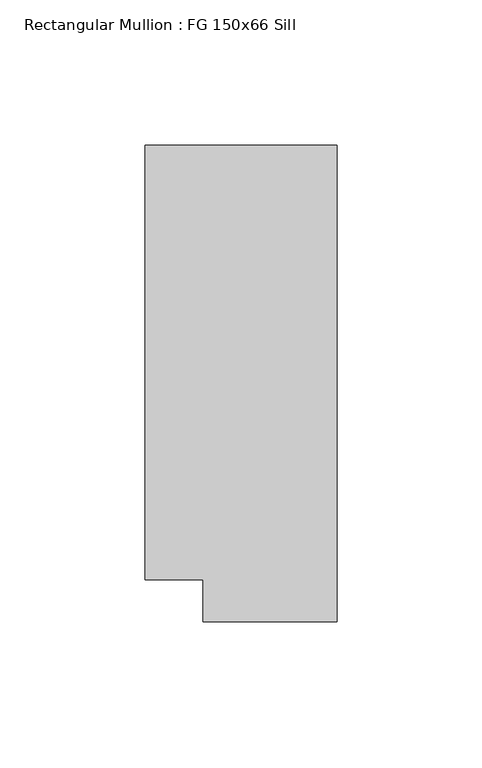
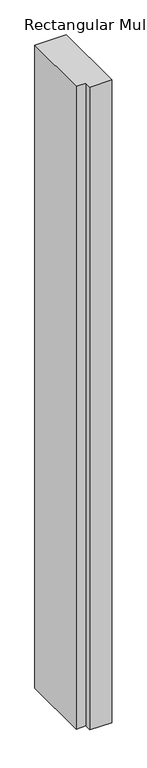
"""IFC4 building model written with IfcOpenShell, lengths in millimetres: member geometry, Rectangular Mullion : FG 150x66 Sill."""

import ifcopenshell
import ifcopenshell.guid

model = None  # the IFC model being written
_history = None  # IfcOwnerHistory: only IFC2X3 demands one
_inside = {}  # id of a spatial element -> (the spatial element, [elements in it])
_under = {}  # id of a project, library or spatial element -> (it, [spatial elements below it])
_declared = {}  # id of a project -> (the project, [libraries it declares])
_typed = {}  # id of a type object -> (the type object, [elements of that type])
_made_of = {}  # id of a material, layer set ... -> (it, [elements and type objects made of it])


def new_model(schema):
    """Start an empty IFC model of exactly this schema.

    Asked for "IFC4X3", IfcOpenShell would pick the latest addendum, in which some entities
    have other attributes; the version numbers below select the first issue.
    IFC2X3 requires an IfcOwnerHistory on every rooted entity: one is made here for all.
    """
    global model, _history
    if schema == "IFC4X3":
        model = ifcopenshell.file(schema_version=(4, 3, 0, 0))
    else:
        model = ifcopenshell.file(schema=schema)
    _inside.clear()
    _under.clear()
    _declared.clear()
    _typed.clear()
    _made_of.clear()
    _history = None
    if model.schema == "IFC2X3":
        org = make("IfcOrganization", Name="unknown")
        user = make(
            "IfcPersonAndOrganization",
            ThePerson=make("IfcPerson", FamilyName="unknown"),
            TheOrganization=org,
        )
        app = make(
            "IfcApplication",
            ApplicationDeveloper=org,
            Version="unknown",
            ApplicationFullName="unknown",
            ApplicationIdentifier="unknown",
        )
        _history = make(
            "IfcOwnerHistory",
            OwningUser=user,
            OwningApplication=app,
            ChangeAction="ADDED",
            CreationDate=0,
        )
    return model


def make(cls, **values):
    """One entity of the class cls with the attributes given. An attribute that is None is left unset."""
    return model.create_entity(
        cls, **{name: value for name, value in values.items() if value is not None}
    )


def rooted(cls, **values):
    """An entity with a GlobalId (a new one), such as an element, a storey or a relation."""
    return make(cls, GlobalId=ifcopenshell.guid.new(), OwnerHistory=_history, **values)


def si_unit(unit_type, name, prefix=None):
    """IfcSIUnit, for example si_unit("LENGTHUNIT", "METRE", prefix="MILLI")."""
    return make("IfcSIUnit", UnitType=unit_type, Prefix=prefix, Name=name)


def assignment(units):
    """IfcUnitAssignment: the units of a project."""
    return None if units is None else make("IfcUnitAssignment", Units=units)


def point(xyz):
    """IfcCartesianPoint."""
    return None if xyz is None else make("IfcCartesianPoint", Coordinates=xyz)


def direction(xyz):
    """IfcDirection."""
    return None if xyz is None else make("IfcDirection", DirectionRatios=xyz)


def frame(location, z_axis=None, x_axis=None):
    """IfcAxis2Placement3D, a coordinate frame: its origin and axes. An axis left out is left unset."""
    return make(
        "IfcAxis2Placement3D",
        Location=point(location),
        Axis=direction(z_axis),
        RefDirection=direction(x_axis),
    )


def origin():
    """The frame at (0, 0, 0) with its axes left unset."""
    return frame((0.0, 0.0, 0.0))


def place(relative_to, where):
    """IfcLocalPlacement: puts the frame where relative to a parent placement (None: the world)."""
    return make(
        "IfcLocalPlacement", PlacementRelTo=relative_to, RelativePlacement=where
    )


def context(
    kind, dimensions, precision=None, world=None, true_north=None, identifier=None
):
    """IfcGeometricRepresentationContext, for example the 3D "Model" context."""
    return make(
        "IfcGeometricRepresentationContext",
        ContextIdentifier=identifier,
        ContextType=kind,
        CoordinateSpaceDimension=dimensions,
        Precision=precision,
        WorldCoordinateSystem=world,
        TrueNorth=true_north,
    )


def project(units=None, contexts=None):
    """IfcProject with its units and contexts."""
    return rooted(
        "IfcProject",
        Name="project",
        RepresentationContexts=contexts,
        UnitsInContext=assignment(units),
    )


def spatial(cls, under=None, at=None, **own):
    """A site, building, storey or space (cls), placed at a placement, below another one or the project."""
    s = rooted(cls, ObjectPlacement=at, **own)
    if under is not None:
        _under.setdefault(under.id(), (under, []))[1].append(s)
    return s


def polyline(points):
    """IfcPolyline through the points."""
    return make("IfcPolyline", Points=[point(p) for p in points])


def outline(outer, holes=None, kind="AREA"):
    """IfcArbitraryClosedProfileDef: a profile drawn as a closed curve; with holes, ...WithVoids."""
    if holes is None:
        return make("IfcArbitraryClosedProfileDef", ProfileType=kind, OuterCurve=outer)
    return make(
        "IfcArbitraryProfileDefWithVoids",
        ProfileType=kind,
        OuterCurve=outer,
        InnerCurves=holes,
    )


def extrude(swept, where, along, depth):
    """IfcExtrudedAreaSolid: the profile swept, set in the frame where, extruded along a direction by depth."""
    return make(
        "IfcExtrudedAreaSolid",
        SweptArea=swept,
        Position=where,
        ExtrudedDirection=direction(along),
        Depth=depth,
    )


def shape(context_of_items, identifier, shape_type, items):
    """IfcShapeRepresentation: the items that make up one representation, for example the "Body"."""
    return make(
        "IfcShapeRepresentation",
        ContextOfItems=context_of_items,
        RepresentationIdentifier=identifier,
        RepresentationType=shape_type,
        Items=items,
    )


def source(mapping_origin, context_of_items, identifier, shape_type, items):
    """IfcRepresentationMap: a shape defined once, which mapped items show again and again."""
    return make(
        "IfcRepresentationMap",
        MappingOrigin=mapping_origin,
        MappedRepresentation=shape(context_of_items, identifier, shape_type, items),
    )


def transform(
    local_origin,
    x_axis=None,
    y_axis=None,
    z_axis=None,
    scale=None,
    scale2=None,
    scale3=None,
    uniform=True,
):
    """IfcCartesianTransformationOperator3D, or its non-uniform kind. x_axis, y_axis, z_axis: its Axis1, 2, 3."""
    if uniform:
        return make(
            "IfcCartesianTransformationOperator3D",
            Axis1=direction(x_axis),
            Axis2=direction(y_axis),
            LocalOrigin=point(local_origin),
            Scale=scale,
            Axis3=direction(z_axis),
        )
    return make(
        "IfcCartesianTransformationOperator3DnonUniform",
        Axis1=direction(x_axis),
        Axis2=direction(y_axis),
        LocalOrigin=point(local_origin),
        Scale=scale,
        Axis3=direction(z_axis),
        Scale2=scale2,
        Scale3=scale3,
    )


def mapped(mapping_source, mapping_target):
    """IfcMappedItem: shows the shape of a source again, moved by a transform."""
    return make(
        "IfcMappedItem", MappingSource=mapping_source, MappingTarget=mapping_target
    )


def made_of(thing, what):
    """Note that an element or type object is made of a material, layer set ...; save() writes the relation."""
    if what is not None:
        _made_of.setdefault(what.id(), (what, []))[1].append(thing)
    return thing


def element(
    cls,
    number,
    at=None,
    inside=None,
    cuts=None,
    type_object=None,
    material=None,
    context=None,
    identifier="Body",
    shape_type=None,
    held_by="IfcProductDefinitionShape",
    body=None,
    shapes=None,
    **own,
):
    """One element of the class cls, such as IfcWall. Its Tag is "e" and its number.

    at: its placement. inside: the storey or other place that contains it. cuts: it is an
    opening in that element (IfcRelVoidsElement). A single representation is given by context,
    identifier, shape_type and body (its items); several are given by shapes. held_by: the class
    of the entity that holds the representations. save() writes the other relations.
    """
    e = rooted(cls, Tag="e%d" % number, ObjectPlacement=at, **own)
    if body is not None:
        shapes = [shape(context, identifier, shape_type, body)]
    if shapes is not None:
        e.Representation = make(held_by, Representations=shapes)
    if inside is not None:
        _inside.setdefault(inside.id(), (inside, []))[1].append(e)
    if cuts is not None:
        rooted(
            "IfcRelVoidsElement", RelatingBuildingElement=cuts, RelatedOpeningElement=e
        )
    if type_object is not None:
        _typed.setdefault(type_object.id(), (type_object, []))[1].append(e)
    return made_of(e, material)


def aggregate(whole, parts):
    """IfcRelAggregates: a whole, such as a stair, and the parts it consists of."""
    return rooted("IfcRelAggregates", RelatingObject=whole, RelatedObjects=parts)


def save(model, path):
    """Write the relations noted so far, then the file.

    IfcRelAggregates (storeys below a building ...), IfcRelContainedInSpatialStructure (elements
    in a storey), IfcRelDefinesByType, IfcRelAssociatesMaterial and IfcRelDeclares: one each for
    every whole, place, type object, material and project.
    """
    for whole, parts in _under.values():
        aggregate(whole, parts)
    for where, things in _inside.values():
        rooted(
            "IfcRelContainedInSpatialStructure",
            RelatedElements=things,
            RelatingStructure=where,
        )
    for kind, things in _typed.values():
        rooted("IfcRelDefinesByType", RelatedObjects=things, RelatingType=kind)
    for what, things in _made_of.values():
        rooted("IfcRelAssociatesMaterial", RelatedObjects=things, RelatingMaterial=what)
    for by, libraries in _declared.values():
        rooted("IfcRelDeclares", RelatingContext=by, RelatedDefinitions=libraries)
    model.write(path)


def rectangular_mullion_fg_150x66_sill_9b631edd(model_context):
    return source(origin(), model_context, "Body", "SweptSolid", [
        extrude(outline(polyline([(0.0, 75.0), (0.0, -89.0), (-46.0000284, -89.0), (-46.0000284, -74.5), (-65.9954662, -74.5), (-65.9954662, 75.0), (0.0, 75.0)])), frame((0.0, 0.0, -1421.5338), z_axis=(0.0, 0.0, 1.0), x_axis=(1.0, 0.0, 0.0)), (0.0, 0.0, 1.0), 1421.5338),
    ])


if __name__ == "__main__":
    model = new_model("IFC4")
    model_context = context("Model", 3, world=origin())
    ifc_project = project(units=[si_unit("LENGTHUNIT", "METRE", prefix="MILLI")], contexts=[model_context])
    site = spatial("IfcSite", under=ifc_project)
    building = spatial("IfcBuilding", under=site)
    placement = place(None, origin())
    rectangular_mullion_fg_150x66_sill_shape = rectangular_mullion_fg_150x66_sill_9b631edd(model_context)
    element("IfcMember", 1, ObjectType="Rectangular Mullion : FG 150x66 Sill", at=placement, inside=building, context=model_context, shape_type="MappedRepresentation", body=[
        mapped(rectangular_mullion_fg_150x66_sill_shape, transform((0.0, 0.0, 0.0), x_axis=(1.0, 0.0, 0.0), y_axis=(0.0, 1.0, 0.0), z_axis=(0.0, 0.0, 1.0))),
    ])
    save(model, "model.ifc")
